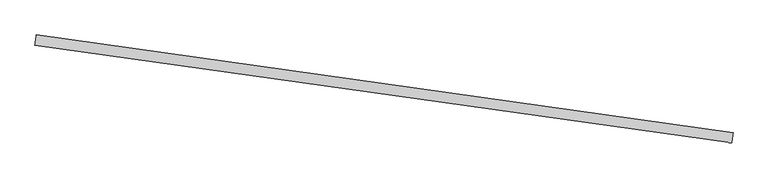
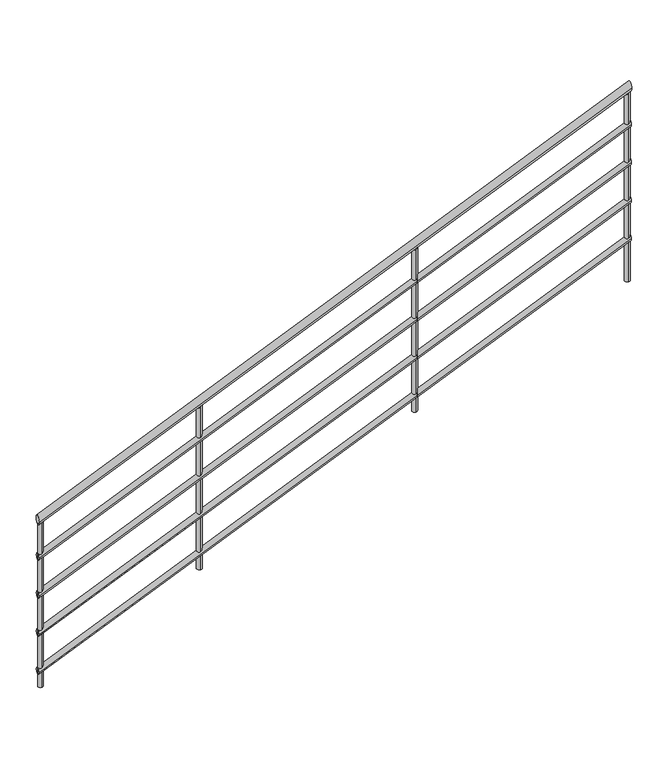
"""IFC4 building model written with IfcOpenShell, lengths in millimetres: railing geometry."""

from ifc_helpers import new_model, si_unit, frame, origin, place, context, project, spatial, circle_curve, ellipse_curve, source, transform, mapped, element, save
from ifc_brep_helpers import plane_surface, cylinder_surface, advanced_brep


def railing_d8c9baa7(model_context):
    return source(origin(), model_context, "Body", "AdvancedBrep", [
        advanced_brep(
        [(-14072.3987122, 3807.9257437, 877.0120805), (-14066.8317881, 3847.5364665, 877.0120805), (-16795.6359012, 4190.6517714, -681.3212529), (-16790.0689772, 4230.2624941, -681.3212529)],
        [
            (0, 1, ellipse_curve(frame((-14069.6152501, 3827.7311051, 877.0120805), z_axis=(0.9902680687415699, -0.1391731009600685, 0.0), x_axis=(0.0, 0.0, 1.0)), 22.9879195, 20.0)),
            (1, 0, ellipse_curve(frame((-14069.6152501, 3827.7311051, 877.0120805), z_axis=(0.9902680687415699, -0.1391731009600685, 0.0), x_axis=(0.0, 0.0, 1.0)), 22.9879195, 20.0)),
            (2, 3, ellipse_curve(frame((-16792.8524392, 4210.4571327, -681.3212529), z_axis=(-0.9902680687415699, 0.1391731009600685, 0.0), x_axis=(0.0, 0.0, 1.0)), 22.9879195, 20.0)),
            (3, 2, ellipse_curve(frame((-16792.8524392, 4210.4571327, -681.3212529), z_axis=(-0.9902680687415699, 0.1391731009600685, 0.0), x_axis=(0.0, 0.0, 1.0)), 22.9879195, 20.0)),
            (0, 2),
            (3, 1),
        ],
        [
            plane_surface(frame((-14069.6152501, 3827.7311051, 900.0), z_axis=(0.9902680687415699, -0.1391731009600685, 0.0), x_axis=(0.1391731009600685, 0.9902680687415699, 0.0))),
            plane_surface(frame((-16792.8524392, 4210.4571327, -658.3333333), z_axis=(-0.9902680687415699, 0.1391731009600685, 0.0), x_axis=(0.1391731009600685, 0.9902680687415699, 0.0))),
            cylinder_surface(frame((-14059.850958, 3826.3588233, 882.5995563), z_axis=(0.861555189742625, -0.12108368550860849, 0.4930125719808797), x_axis=(0.13917310096006852, 0.9902680687415699, 0.0)), 20.0),
        ],
        [
            (0, [[1, 2]]),
            (1, [[3, 4]]),
            (2, [[-1, 5, -4, 6]]),
            (2, [[-2, -6, -3, -5]]),
        ],
    ),
        advanced_brep(
        [(-14071.7028467, 3812.8770841, 682.7590604), (-14067.5276536, 3842.5851261, 682.7590604), (-16794.9400357, 4195.6031117, -875.574273), (-16790.7648427, 4225.3111538, -875.574273)],
        [
            (0, 1, ellipse_curve(frame((-14069.6152501, 3827.7311051, 682.7590604), z_axis=(0.9902680687415699, -0.1391731009600685, 0.0), x_axis=(0.0, 0.0, 1.0)), 17.2409396, 15.0)),
            (1, 0, ellipse_curve(frame((-14069.6152501, 3827.7311051, 682.7590604), z_axis=(0.9902680687415699, -0.1391731009600685, 0.0), x_axis=(0.0, 0.0, 1.0)), 17.2409396, 15.0)),
            (2, 3, ellipse_curve(frame((-16792.8524392, 4210.4571327, -875.574273), z_axis=(-0.9902680687415699, 0.1391731009600685, 0.0), x_axis=(0.0, 0.0, 1.0)), 17.2409396, 15.0)),
            (3, 2, ellipse_curve(frame((-16792.8524392, 4210.4571327, -875.574273), z_axis=(-0.9902680687415699, 0.1391731009600685, 0.0), x_axis=(0.0, 0.0, 1.0)), 17.2409396, 15.0)),
            (0, 2),
            (3, 1),
        ],
        [
            plane_surface(frame((-14069.6152501, 3827.7311051, 700.0), z_axis=(0.9902680687415699, -0.1391731009600685, 0.0), x_axis=(0.1391731009600685, 0.9902680687415699, 0.0))),
            plane_surface(frame((-16792.8524392, 4210.4571327, -858.3333333), z_axis=(-0.9902680687415699, 0.1391731009600685, 0.0), x_axis=(0.1391731009600685, 0.9902680687415699, 0.0))),
            cylinder_surface(frame((-14062.292031, 3826.7018938, 686.9496672), z_axis=(0.861555189742625, -0.12108368550860849, 0.4930125719808797), x_axis=(0.13917310096006852, 0.9902680687415699, 0.0)), 15.0),
        ],
        [
            (0, [[1, 2]]),
            (1, [[3, 4]]),
            (2, [[-1, 5, -4, 6]]),
            (2, [[-2, -6, -3, -5]]),
        ],
    ),
        advanced_brep(
        [(-14071.7028467, 3812.8770841, 482.7590604), (-14067.5276536, 3842.5851261, 482.7590604), (-16794.9400357, 4195.6031117, -1075.574273), (-16790.7648427, 4225.3111538, -1075.574273)],
        [
            (0, 1, ellipse_curve(frame((-14069.6152501, 3827.7311051, 482.7590604), z_axis=(0.9902680687415699, -0.1391731009600685, 0.0), x_axis=(0.0, 0.0, 1.0)), 17.2409396, 15.0)),
            (1, 0, ellipse_curve(frame((-14069.6152501, 3827.7311051, 482.7590604), z_axis=(0.9902680687415699, -0.1391731009600685, 0.0), x_axis=(0.0, 0.0, 1.0)), 17.2409396, 15.0)),
            (2, 3, ellipse_curve(frame((-16792.8524392, 4210.4571327, -1075.574273), z_axis=(-0.9902680687415699, 0.1391731009600685, 0.0), x_axis=(0.0, 0.0, 1.0)), 17.2409396, 15.0)),
            (3, 2, ellipse_curve(frame((-16792.8524392, 4210.4571327, -1075.574273), z_axis=(-0.9902680687415699, 0.1391731009600685, 0.0), x_axis=(0.0, 0.0, 1.0)), 17.2409396, 15.0)),
            (0, 2),
            (3, 1),
        ],
        [
            plane_surface(frame((-14069.6152501, 3827.7311051, 500.0), z_axis=(0.9902680687415699, -0.1391731009600685, 0.0), x_axis=(0.1391731009600685, 0.9902680687415699, 0.0))),
            plane_surface(frame((-16792.8524392, 4210.4571327, -1058.3333333), z_axis=(-0.9902680687415699, 0.1391731009600685, 0.0), x_axis=(0.1391731009600685, 0.9902680687415699, 0.0))),
            cylinder_surface(frame((-14062.292031, 3826.7018938, 486.9496672), z_axis=(0.861555189742625, -0.12108368550860849, 0.4930125719808797), x_axis=(0.13917310096006852, 0.9902680687415699, 0.0)), 15.0),
        ],
        [
            (0, [[1, 2]]),
            (1, [[3, 4]]),
            (2, [[-1, 5, -4, 6]]),
            (2, [[-2, -6, -3, -5]]),
        ],
    ),
        advanced_brep(
        [(-14071.7028467, 3812.8770841, 282.7590604), (-14067.5276536, 3842.5851261, 282.7590604), (-16794.9400357, 4195.6031117, -1275.574273), (-16790.7648427, 4225.3111538, -1275.574273)],
        [
            (0, 1, ellipse_curve(frame((-14069.6152501, 3827.7311051, 282.7590604), z_axis=(0.9902680687415699, -0.1391731009600685, 0.0), x_axis=(0.0, 0.0, 1.0)), 17.2409396, 15.0)),
            (1, 0, ellipse_curve(frame((-14069.6152501, 3827.7311051, 282.7590604), z_axis=(0.9902680687415699, -0.1391731009600685, 0.0), x_axis=(0.0, 0.0, 1.0)), 17.2409396, 15.0)),
            (2, 3, ellipse_curve(frame((-16792.8524392, 4210.4571327, -1275.574273), z_axis=(-0.9902680687415699, 0.1391731009600685, 0.0), x_axis=(0.0, 0.0, 1.0)), 17.2409396, 15.0)),
            (3, 2, ellipse_curve(frame((-16792.8524392, 4210.4571327, -1275.574273), z_axis=(-0.9902680687415699, 0.1391731009600685, 0.0), x_axis=(0.0, 0.0, 1.0)), 17.2409396, 15.0)),
            (0, 2),
            (3, 1),
        ],
        [
            plane_surface(frame((-14069.6152501, 3827.7311051, 300.0), z_axis=(0.9902680687415699, -0.1391731009600685, 0.0), x_axis=(0.1391731009600685, 0.9902680687415699, 0.0))),
            plane_surface(frame((-16792.8524392, 4210.4571327, -1258.3333333), z_axis=(-0.9902680687415699, 0.1391731009600685, 0.0), x_axis=(0.1391731009600685, 0.9902680687415699, 0.0))),
            cylinder_surface(frame((-14062.292031, 3826.7018938, 286.9496672), z_axis=(0.861555189742625, -0.12108368550860849, 0.4930125719808797), x_axis=(0.13917310096006852, 0.9902680687415699, 0.0)), 15.0),
        ],
        [
            (0, [[1, 2]]),
            (1, [[3, 4]]),
            (2, [[-1, 5, -4, 6]]),
            (2, [[-2, -6, -3, -5]]),
        ],
    ),
        advanced_brep(
        [(-14071.7028467, 3812.8770841, 82.7590604), (-14067.5276536, 3842.5851261, 82.7590604), (-16794.9400357, 4195.6031117, -1475.574273), (-16790.7648427, 4225.3111538, -1475.574273)],
        [
            (0, 1, ellipse_curve(frame((-14069.6152501, 3827.7311051, 82.7590604), z_axis=(0.9902680687415699, -0.1391731009600685, 0.0), x_axis=(0.0, 0.0, 1.0)), 17.2409396, 15.0)),
            (1, 0, ellipse_curve(frame((-14069.6152501, 3827.7311051, 82.7590604), z_axis=(0.9902680687415699, -0.1391731009600685, 0.0), x_axis=(0.0, 0.0, 1.0)), 17.2409396, 15.0)),
            (2, 3, ellipse_curve(frame((-16792.8524392, 4210.4571327, -1475.574273), z_axis=(-0.9902680687415699, 0.1391731009600685, 0.0), x_axis=(0.0, 0.0, 1.0)), 17.2409396, 15.0)),
            (3, 2, ellipse_curve(frame((-16792.8524392, 4210.4571327, -1475.574273), z_axis=(-0.9902680687415699, 0.1391731009600685, 0.0), x_axis=(0.0, 0.0, 1.0)), 17.2409396, 15.0)),
            (0, 2),
            (3, 1),
        ],
        [
            plane_surface(frame((-14069.6152501, 3827.7311051, 100.0), z_axis=(0.9902680687415699, -0.1391731009600685, 0.0), x_axis=(0.1391731009600685, 0.9902680687415699, 0.0))),
            plane_surface(frame((-16792.8524392, 4210.4571327, -1458.3333333), z_axis=(-0.9902680687415699, 0.1391731009600685, 0.0), x_axis=(0.1391731009600685, 0.9902680687415699, 0.0))),
            cylinder_surface(frame((-14062.292031, 3826.7018938, 86.9496672), z_axis=(0.861555189742625, -0.12108368550860849, 0.4930125719808797), x_axis=(0.13917310096006852, 0.9902680687415699, 0.0)), 15.0),
        ],
        [
            (0, [[1, 2]]),
            (1, [[3, 4]]),
            (2, [[-1, 5, -4, 6]]),
            (2, [[-2, -6, -3, -5]]),
        ],
    ),
        advanced_brep(
        [(-16048.4117239, 4118.4556579, -279.3091724), (-16048.4117239, 4118.4556579, -1133.3333333), (-16051.8910514, 4093.6989562, -1133.3333333), (-16051.8910514, 4093.6989562, -279.3091724)],
        [
            (0, 1),
            (1, 2, circle_curve(frame((-16050.1513876, 4106.077307, -1133.3333333), z_axis=(0.0, 0.0, 1.0), x_axis=(-0.1391731009600683, -0.99026806874157, 0.0)), 12.5)),
            (2, 3),
            (3, 0, ellipse_curve(frame((-16050.1513876, 4106.077307, -279.3091724), z_axis=(0.48821460752082135, -0.0686140884548781, -0.8700221858486119), x_axis=(0.8615551897426243, -0.12108368550860818, 0.49301257198088094)), 14.3674497, 12.5)),
            (0, 3, ellipse_curve(frame((-16050.1513876, 4106.077307, -279.3091724), z_axis=(0.48821460752082135, -0.0686140884548781, -0.8700221858486119), x_axis=(0.8615551897426243, -0.12108368550860818, 0.49301257198088094)), 14.3674497, 12.5)),
            (2, 1, circle_curve(frame((-16050.1513876, 4106.077307, -1133.3333333), z_axis=(0.0, 0.0, 1.0), x_axis=(-0.1391731009600683, -0.99026806874157, 0.0)), 12.5)),
        ],
        [
            cylinder_surface(frame((-16050.1513876, 4106.077307, -1233.3333333), z_axis=(0.0, 0.0, 1.0), x_axis=(-0.1391731009600683, -0.99026806874157, 0.0)), 12.5),
            plane_surface(frame((-16078.3874169, 4084.7999328, -293.4758391), z_axis=(-0.48821460752082135, 0.0686140884548781, 0.8700221858486119), x_axis=(0.1391731009600683, 0.99026806874157, 0.0))),
            plane_surface(frame((-16028.8740134, 4077.8412778, -1133.3333333), z_axis=(0.0, 0.0, -1.0), x_axis=(0.1391731009600683, 0.99026806874157, 0.0))),
        ],
        [
            (0, [[1, 2, 3, 4]]),
            (0, [[-1, 5, -3, 6]]),
            (1, [[-4, -5]]),
            (2, [[-2, -6]]),
        ],
    ),
        advanced_brep(
        [(-15058.1436551, 3979.2825569, 287.3574943), (-15058.1436551, 3979.2825569, -566.6666667), (-15061.6229826, 3954.5258552, -566.6666667), (-15061.6229826, 3954.5258552, 287.3574943)],
        [
            (0, 1),
            (1, 2, circle_curve(frame((-15059.8833189, 3966.9042061, -566.6666667), z_axis=(0.0, 0.0, 1.0), x_axis=(-0.1391731009600683, -0.99026806874157, 0.0)), 12.5)),
            (2, 3),
            (3, 0, ellipse_curve(frame((-15059.8833189, 3966.9042061, 287.3574943), z_axis=(0.48821460752082135, -0.0686140884548781, -0.8700221858486119), x_axis=(0.8615551897426243, -0.12108368550860818, 0.49301257198088094)), 14.3674497, 12.5)),
            (0, 3, ellipse_curve(frame((-15059.8833189, 3966.9042061, 287.3574943), z_axis=(0.48821460752082135, -0.0686140884548781, -0.8700221858486119), x_axis=(0.8615551897426243, -0.12108368550860818, 0.49301257198088094)), 14.3674497, 12.5)),
            (2, 1, circle_curve(frame((-15059.8833189, 3966.9042061, -566.6666667), z_axis=(0.0, 0.0, 1.0), x_axis=(-0.1391731009600683, -0.99026806874157, 0.0)), 12.5)),
        ],
        [
            cylinder_surface(frame((-15059.8833189, 3966.9042061, -666.6666667), z_axis=(0.0, 0.0, 1.0), x_axis=(-0.1391731009600683, -0.99026806874157, 0.0)), 12.5),
            plane_surface(frame((-15088.1193481, 3945.6268319, 273.1908276), z_axis=(-0.48821460752082135, 0.0686140884548781, 0.8700221858486119), x_axis=(0.1391731009600683, 0.99026806874157, 0.0))),
            plane_surface(frame((-15038.6059447, 3938.6681768, -566.6666667), z_axis=(0.0, 0.0, -1.0), x_axis=(0.1391731009600683, 0.99026806874157, 0.0))),
        ],
        [
            (0, [[1, 2, 3, 4]]),
            (0, [[-1, 5, -3, 6]]),
            (1, [[-4, -5]]),
            (2, [[-2, -6]]),
        ],
    ),
        advanced_brep(
        [(-16778.7344246, 4221.0958198, -697.2258391), (-16778.7344246, 4221.0958198, -1558.3333333), (-16782.2137521, 4196.3391181, -1558.3333333), (-16782.2137521, 4196.3391181, -697.2258391)],
        [
            (0, 1),
            (1, 2, circle_curve(frame((-16780.4740883, 4208.717469, -1558.3333333), z_axis=(0.0, 0.0, 1.0), x_axis=(-0.1391731009600683, -0.99026806874157, 0.0)), 12.5)),
            (2, 3),
            (3, 0, ellipse_curve(frame((-16780.4740883, 4208.717469, -697.2258391), z_axis=(0.4882146075208196, -0.06861408845487785, -0.870022185848613), x_axis=(0.8615551897426255, -0.12108368550860833, 0.49301257198087894)), 14.3674497, 12.5)),
            (0, 3, ellipse_curve(frame((-16780.4740883, 4208.717469, -697.2258391), z_axis=(0.4882146075208196, -0.06861408845487785, -0.870022185848613), x_axis=(0.8615551897426255, -0.12108368550860833, 0.49301257198087894)), 14.3674497, 12.5)),
            (2, 1, circle_curve(frame((-16780.4740883, 4208.717469, -1558.3333333), z_axis=(0.0, 0.0, 1.0), x_axis=(-0.1391731009600683, -0.99026806874157, 0.0)), 12.5)),
        ],
        [
            cylinder_surface(frame((-16780.4740883, 4208.717469, -1658.3333333), z_axis=(0.0, 0.0, 1.0), x_axis=(-0.1391731009600683, -0.99026806874157, 0.0)), 12.5),
            plane_surface(frame((-16808.7101176, 4187.4400948, -711.3925057), z_axis=(-0.4882146075208196, 0.06861408845487785, 0.870022185848613), x_axis=(0.1391731009600683, 0.99026806874157, 0.0))),
            plane_surface(frame((-16759.1967141, 4180.4814397, -1558.3333333), z_axis=(0.0, 0.0, -1.0), x_axis=(0.1391731009600683, 0.99026806874157, 0.0))),
        ],
        [
            (0, [[1, 2, 3, 4]]),
            (0, [[-1, 5, -3, 6]]),
            (1, [[-4, -5]]),
            (2, [[-2, -6]]),
        ],
    ),
        advanced_brep(
        [(-14080.2539372, 3841.8491197, 846.9408276), (-14080.2539372, 3841.8491197, -141.6666667), (-14083.7332648, 3817.092418, -141.6666667), (-14083.7332648, 3817.092418, 846.9408276)],
        [
            (0, 1),
            (1, 2, circle_curve(frame((-14081.993601, 3829.4707689, -141.6666667), z_axis=(0.0, 0.0, 1.0), x_axis=(-0.1391731009600683, -0.99026806874157, 0.0)), 12.5)),
            (2, 3),
            (3, 0, ellipse_curve(frame((-14081.993601, 3829.4707689, 846.9408276), z_axis=(0.48821460752082135, -0.0686140884548781, -0.8700221858486119), x_axis=(0.8615551897426243, -0.12108368550860818, 0.49301257198088094)), 14.3674497, 12.5)),
            (0, 3, ellipse_curve(frame((-14081.993601, 3829.4707689, 846.9408276), z_axis=(0.48821460752082135, -0.0686140884548781, -0.8700221858486119), x_axis=(0.8615551897426243, -0.12108368550860818, 0.49301257198088094)), 14.3674497, 12.5)),
            (2, 1, circle_curve(frame((-14081.993601, 3829.4707689, -141.6666667), z_axis=(0.0, 0.0, 1.0), x_axis=(-0.1391731009600683, -0.99026806874157, 0.0)), 12.5)),
        ],
        [
            cylinder_surface(frame((-14081.993601, 3829.4707689, -241.6666667), z_axis=(0.0, 0.0, 1.0), x_axis=(-0.1391731009600683, -0.99026806874157, 0.0)), 12.5),
            plane_surface(frame((-14110.2296302, 3808.1933947, 832.7741609), z_axis=(-0.48821460752082135, 0.0686140884548781, 0.8700221858486119), x_axis=(0.1391731009600683, 0.99026806874157, 0.0))),
            plane_surface(frame((-14060.7162268, 3801.2347396, -141.6666667), z_axis=(0.0, 0.0, -1.0), x_axis=(0.1391731009600683, 0.99026806874157, 0.0))),
        ],
        [
            (0, [[1, 2, 3, 4]]),
            (0, [[-1, 5, -3, 6]]),
            (1, [[-4, -5]]),
            (2, [[-2, -6]]),
        ],
    ),
    ])


if __name__ == "__main__":
    model = new_model("IFC4")
    model_context = context("Model", 3, world=origin())
    ifc_project = project(units=[si_unit("LENGTHUNIT", "METRE", prefix="MILLI")], contexts=[model_context])
    site = spatial("IfcSite", under=ifc_project)
    building = spatial("IfcBuilding", under=site)
    placement = place(None, origin())
    railing_shape = railing_d8c9baa7(model_context)
    element("IfcRailing", 1, at=placement, inside=building, context=model_context, shape_type="MappedRepresentation", body=[
        mapped(railing_shape, transform((0.0, 0.0, 0.0), x_axis=(1.0, 0.0, 0.0), y_axis=(0.0, 1.0, 0.0), z_axis=(0.0, 0.0, 1.0))),
    ])
    save(model, "model.ifc")
